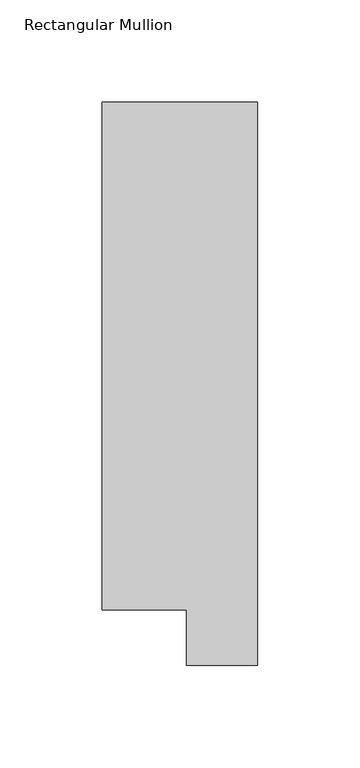
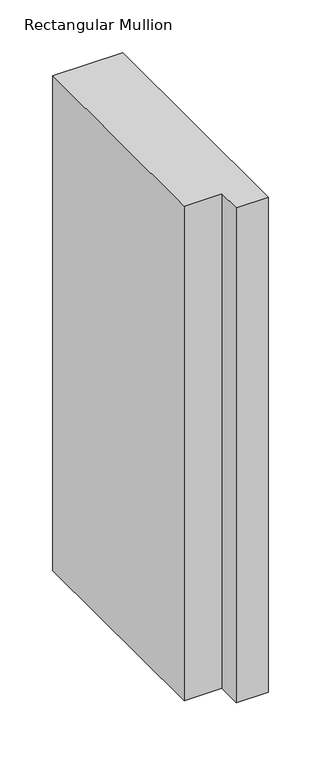
"""IFC4 building model written with IfcOpenShell, lengths in millimetres: member geometry, Rectangular Mullion."""

from ifc_helpers import new_model, si_unit, frame, origin, place, context, project, spatial, polyline, outline, extrude, source, transform, mapped, element, save


def rectangular_mullion_c852062d(model_context):
    return source(origin(), model_context, "Body", "SweptSolid", [
        extrude(outline(polyline([(0.0, 295.1821312), (0.0, 19.5667313), (-34.9123, 19.5667313), (-34.9123, 46.7447302), (-76.2, 46.7447302), (-76.2, 295.1821312), (0.0, 295.1821312)])), frame((0.0, 0.0, -571.8194233), z_axis=(0.0, 0.0, 1.0), x_axis=(1.0, 0.0, 0.0)), (0.0, 0.0, 1.0), 571.8194233),
    ])


if __name__ == "__main__":
    model = new_model("IFC4")
    model_context = context("Model", 3, world=origin())
    ifc_project = project(units=[si_unit("LENGTHUNIT", "METRE", prefix="MILLI")], contexts=[model_context])
    site = spatial("IfcSite", under=ifc_project)
    building = spatial("IfcBuilding", under=site)
    placement = place(None, origin())
    rectangular_mullion_shape = rectangular_mullion_c852062d(model_context)
    element("IfcMember", 1, ObjectType="Rectangular Mullion", at=placement, inside=building, context=model_context, shape_type="MappedRepresentation", body=[
        mapped(rectangular_mullion_shape, transform((0.0, 0.0, 0.0), x_axis=(1.0, 0.0, 0.0), y_axis=(0.0, 1.0, 0.0), z_axis=(0.0, 0.0, 1.0))),
    ])
    save(model, "model.ifc")
